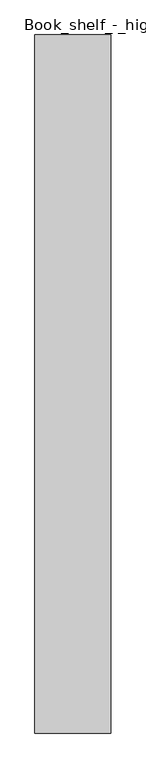
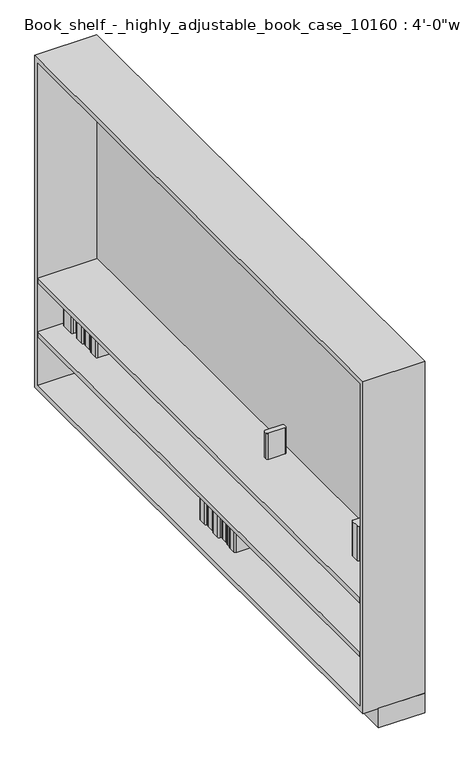
"""IFC4 building model written with IfcOpenShell, lengths in millimetres: furniture geometry."""

from ifc_helpers import new_model, si_unit, point, frame, frame_2d, origin, origin_with_axes, place, context, project, spatial, polyline, circle_curve, trimmed, segment, composite_curve, outline, extrude, source, transform, mapped, element, save


def furniture_b8f84b09(model_context):
    return source(origin(), model_context, "Body", "SweptSolid", [
        extrude(outline(composite_curve([segment(polyline([(-174.9979766, 273.5343096), (-174.9979766, 313.4842776)]), True, "CONTINUOUS"), segment(trimmed(circle_curve(frame_2d((-168.6479766, 313.4842776)), 6.35), [point((-174.9979766, 313.4842776))], [point((-168.6479766, 319.8342776))], False, "CARTESIAN"), True, "CONTINUOUS"), segment(polyline([(-168.6479766, 319.8342776), (-44.45, 319.8342776)]), True, "CONTINUOUS"), segment(trimmed(circle_curve(frame_2d((-44.45, 313.4842776)), 6.35), [point((-44.45, 319.8342776))], [point((-38.1, 313.4842776))], False, "CARTESIAN"), True, "CONTINUOUS"), segment(polyline([(-38.1, 313.4842776), (-38.1, 273.5343096)]), True, "CONTINUOUS"), segment(trimmed(circle_curve(frame_2d((-44.45, 273.5343096)), 6.35), [point((-38.1, 273.5343096))], [point((-44.45, 267.1843096))], False, "CARTESIAN"), True, "CONTINUOUS"), segment(polyline([(-44.45, 267.1843096), (-168.6479766, 267.1843096)]), True, "CONTINUOUS"), segment(trimmed(circle_curve(frame_2d((-168.6479766, 273.5343096)), 6.35), [point((-168.6479766, 267.1843096))], [point((-174.9979766, 273.5343096))], False, "CARTESIAN"), True, "CONTINUOUS")], self_intersect=False)), frame((0.0, 0.0, 685.8), z_axis=(0.0, 0.0, 1.0), x_axis=(1.0, 0.0, 0.0)), (0.0, 0.0, 1.0), 181.3914823),
        extrude(outline(composite_curve([segment(polyline([(-134.504595, 1121.0843096), (-134.504595, 1133.7843096)]), True, "CONTINUOUS"), segment(trimmed(circle_curve(frame_2d((-128.154595, 1133.7843096)), 6.35), [point((-134.504595, 1133.7843096))], [point((-128.154595, 1140.1343096))], False, "CARTESIAN"), True, "CONTINUOUS"), segment(polyline([(-128.154595, 1140.1343096), (-44.45, 1140.1343096)]), True, "CONTINUOUS"), segment(trimmed(circle_curve(frame_2d((-44.45, 1133.7843096)), 6.35), [point((-44.45, 1140.1343096))], [point((-38.1, 1133.7843096))], False, "CARTESIAN"), True, "CONTINUOUS"), segment(polyline([(-38.1, 1133.7843096), (-38.1, 1121.0843096)]), True, "CONTINUOUS"), segment(trimmed(circle_curve(frame_2d((-44.45, 1121.0843096)), 6.35), [point((-38.1, 1121.0843096))], [point((-44.45, 1114.7343096))], False, "CARTESIAN"), True, "CONTINUOUS"), segment(polyline([(-44.45, 1114.7343096), (-128.154595, 1114.7343096)]), True, "CONTINUOUS"), segment(trimmed(circle_curve(frame_2d((-128.154595, 1121.0843096)), 6.35), [point((-128.154595, 1114.7343096))], [point((-134.504595, 1121.0843096))], False, "CARTESIAN"), True, "CONTINUOUS")], self_intersect=False)), frame((0.0, 0.0, 685.8), z_axis=(0.0, 0.0, 1.0), x_axis=(1.0, 0.0, 0.0)), (0.0, 0.0, 1.0), 135.8183694),
        extrude(outline(composite_curve([segment(polyline([(-174.9979766, 154.4873472), (-174.9979766, 194.4373151)]), True, "CONTINUOUS"), segment(trimmed(circle_curve(frame_2d((-168.6479766, 194.4373151)), 6.35), [point((-174.9979766, 194.4373151))], [point((-168.6479766, 200.7873151))], False, "CARTESIAN"), True, "CONTINUOUS"), segment(polyline([(-168.6479766, 200.7873151), (-44.45, 200.7873151)]), True, "CONTINUOUS"), segment(trimmed(circle_curve(frame_2d((-44.45, 194.4373151)), 6.35), [point((-44.45, 200.7873151))], [point((-38.1, 194.4373151))], False, "CARTESIAN"), True, "CONTINUOUS"), segment(polyline([(-38.1, 194.4373151), (-38.1, 154.4873472)]), True, "CONTINUOUS"), segment(trimmed(circle_curve(frame_2d((-44.45, 154.4873472)), 6.35), [point((-38.1, 154.4873472))], [point((-44.45, 148.1373472))], False, "CARTESIAN"), True, "CONTINUOUS"), segment(polyline([(-44.45, 148.1373472), (-168.6479766, 148.1373472)]), True, "CONTINUOUS"), segment(trimmed(circle_curve(frame_2d((-168.6479766, 154.4873472)), 6.35), [point((-168.6479766, 148.1373472))], [point((-174.9979766, 154.4873472))], False, "CARTESIAN"), True, "CONTINUOUS")], self_intersect=False)), frame((0.0, 0.0, 685.8), z_axis=(0.0, 0.0, 1.0), x_axis=(1.0, 0.0, 0.0)), (0.0, 0.0, 1.0), 181.3914823),
        extrude(outline(composite_curve([segment(polyline([(-148.9022418, 213.6855624), (-148.9022418, 254.1898725)]), True, "CONTINUOUS"), segment(trimmed(circle_curve(frame_2d((-142.5522418, 254.1898725)), 6.35), [point((-148.9022418, 254.1898725))], [point((-142.5522418, 260.5398725))], False, "CARTESIAN"), True, "CONTINUOUS"), segment(polyline([(-142.5522418, 260.5398725), (-44.45, 260.5398725)]), True, "CONTINUOUS"), segment(trimmed(circle_curve(frame_2d((-44.45, 254.1898725)), 6.35), [point((-44.45, 260.5398725))], [point((-38.1, 254.1898725))], False, "CARTESIAN"), True, "CONTINUOUS"), segment(polyline([(-38.1, 254.1898725), (-38.1, 213.6855624)]), True, "CONTINUOUS"), segment(trimmed(circle_curve(frame_2d((-44.45, 213.6855624)), 6.35), [point((-38.1, 213.6855624))], [point((-44.45, 207.3355624))], False, "CARTESIAN"), True, "CONTINUOUS"), segment(polyline([(-44.45, 207.3355624), (-142.5522418, 207.3355624)]), True, "CONTINUOUS"), segment(trimmed(circle_curve(frame_2d((-142.5522418, 213.6855624)), 6.35), [point((-142.5522418, 207.3355624))], [point((-148.9022418, 213.6855624))], False, "CARTESIAN"), True, "CONTINUOUS")], self_intersect=False)), frame((0.0, 0.0, 685.8), z_axis=(0.0, 0.0, 1.0), x_axis=(1.0, 0.0, 0.0)), (0.0, 0.0, 1.0), 163.8466778),
        extrude(outline(composite_curve([segment(polyline([(-155.6511388, 44.45), (-155.6511388, 48.7119243)]), True, "CONTINUOUS"), segment(trimmed(circle_curve(frame_2d((-149.3011388, 48.7119243)), 6.35), [point((-155.6511388, 48.7119243))], [point((-149.3011388, 55.0619243))], False, "CARTESIAN"), True, "CONTINUOUS"), segment(polyline([(-149.3011388, 55.0619243), (-44.45, 55.0619243)]), True, "CONTINUOUS"), segment(trimmed(circle_curve(frame_2d((-44.45, 48.7119243)), 6.35), [point((-44.45, 55.0619243))], [point((-38.1, 48.7119243))], False, "CARTESIAN"), True, "CONTINUOUS"), segment(polyline([(-38.1, 48.7119243), (-38.1, 44.45)]), True, "CONTINUOUS"), segment(trimmed(circle_curve(frame_2d((-44.45, 44.45)), 6.35), [point((-38.1, 44.45))], [point((-44.45, 38.1))], False, "CARTESIAN"), True, "CONTINUOUS"), segment(polyline([(-44.45, 38.1), (-149.3011388, 38.1)]), True, "CONTINUOUS"), segment(trimmed(circle_curve(frame_2d((-149.3011388, 44.45)), 6.35), [point((-149.3011388, 38.1))], [point((-155.6511388, 44.45))], False, "CARTESIAN"), True, "CONTINUOUS")], self_intersect=False)), frame((0.0, 0.0, 685.8), z_axis=(0.0, 0.0, 1.0), x_axis=(1.0, 0.0, 0.0)), (0.0, 0.0, 1.0), 166.2690481),
        extrude(outline(composite_curve([segment(polyline([(-191.8289872, 93.2744988), (-191.8289872, 133.2244668)]), True, "CONTINUOUS"), segment(trimmed(circle_curve(frame_2d((-185.4789872, 133.2244668)), 6.35), [point((-191.8289872, 133.2244668))], [point((-185.4789872, 139.5744668))], False, "CARTESIAN"), True, "CONTINUOUS"), segment(polyline([(-185.4789872, 139.5744668), (-44.45, 139.5744668)]), True, "CONTINUOUS"), segment(trimmed(circle_curve(frame_2d((-44.45, 133.2244668)), 6.35), [point((-44.45, 139.5744668))], [point((-38.1, 133.2244668))], False, "CARTESIAN"), True, "CONTINUOUS"), segment(polyline([(-38.1, 133.2244668), (-38.1, 93.2744988)]), True, "CONTINUOUS"), segment(trimmed(circle_curve(frame_2d((-44.45, 93.2744988)), 6.35), [point((-38.1, 93.2744988))], [point((-44.45, 86.9244988))], False, "CARTESIAN"), True, "CONTINUOUS"), segment(polyline([(-44.45, 86.9244988), (-185.4789872, 86.9244988)]), True, "CONTINUOUS"), segment(trimmed(circle_curve(frame_2d((-185.4789872, 93.2744988)), 6.35), [point((-185.4789872, 86.9244988))], [point((-191.8289872, 93.2744988))], False, "CARTESIAN"), True, "CONTINUOUS")], self_intersect=False)), frame((0.0, 0.0, 685.8), z_axis=(0.0, 0.0, 1.0), x_axis=(1.0, 0.0, 0.0)), (0.0, 0.0, 1.0), 148.7566688),
        extrude(outline(composite_curve([segment(polyline([(-177.3825869, 67.874514), (-177.3825869, 75.2798723)]), True, "CONTINUOUS"), segment(trimmed(circle_curve(frame_2d((-171.0325869, 75.2798723)), 6.35), [point((-177.3825869, 75.2798723))], [point((-171.0325869, 81.6298723))], False, "CARTESIAN"), True, "CONTINUOUS"), segment(polyline([(-171.0325869, 81.6298723), (-44.45, 81.6298723)]), True, "CONTINUOUS"), segment(trimmed(circle_curve(frame_2d((-44.45, 75.2798723)), 6.35), [point((-44.45, 81.6298723))], [point((-38.1, 75.2798723))], False, "CARTESIAN"), True, "CONTINUOUS"), segment(polyline([(-38.1, 75.2798723), (-38.1, 67.874514)]), True, "CONTINUOUS"), segment(trimmed(circle_curve(frame_2d((-44.45, 67.874514)), 6.35), [point((-38.1, 67.874514))], [point((-44.45, 61.524514))], False, "CARTESIAN"), True, "CONTINUOUS"), segment(polyline([(-44.45, 61.524514), (-171.0325869, 61.524514)]), True, "CONTINUOUS"), segment(trimmed(circle_curve(frame_2d((-171.0325869, 67.874514)), 6.35), [point((-171.0325869, 61.524514))], [point((-177.3825869, 67.874514))], False, "CARTESIAN"), True, "CONTINUOUS")], self_intersect=False)), frame((0.0, 0.0, 685.8), z_axis=(0.0, 0.0, 1.0), x_axis=(1.0, 0.0, 0.0)), (0.0, 0.0, 1.0), 151.8618711),
        extrude(outline(polyline([(0.0, 2774.6), (0.0, 25.4), (-304.8, 25.4), (-304.8, 2774.6), (0.0, 2774.6)])), frame((0.0, 0.0, 660.4), z_axis=(0.0, 0.0, 1.0), x_axis=(1.0, 0.0, 0.0)), (0.0, 0.0, 1.0), 25.4),
        extrude(outline(composite_curve([segment(polyline([(-181.0020996, 119.7389676), (-181.0020996, 160.2432777)]), True, "CONTINUOUS"), segment(trimmed(circle_curve(frame_2d((-174.6520996, 160.2432777)), 6.35), [point((-181.0020996, 160.2432777))], [point((-174.6520996, 166.5932777))], False, "CARTESIAN"), True, "CONTINUOUS"), segment(polyline([(-174.6520996, 166.5932777), (-44.45, 166.5932777)]), True, "CONTINUOUS"), segment(trimmed(circle_curve(frame_2d((-44.45, 160.2432777)), 6.35), [point((-44.45, 166.5932777))], [point((-38.1, 160.2432777))], False, "CARTESIAN"), True, "CONTINUOUS"), segment(polyline([(-38.1, 160.2432777), (-38.1, 119.7389676)]), True, "CONTINUOUS"), segment(trimmed(circle_curve(frame_2d((-44.45, 119.7389676)), 6.35), [point((-38.1, 119.7389676))], [point((-44.45, 113.3889676))], False, "CARTESIAN"), True, "CONTINUOUS"), segment(polyline([(-44.45, 113.3889676), (-174.6520996, 113.3889676)]), True, "CONTINUOUS"), segment(trimmed(circle_curve(frame_2d((-174.6520996, 119.7389676)), 6.35), [point((-174.6520996, 113.3889676))], [point((-181.0020996, 119.7389676))], False, "CARTESIAN"), True, "CONTINUOUS")], self_intersect=False)), frame((0.0, 0.0, 406.4), z_axis=(0.0, 0.0, 1.0), x_axis=(1.0, 0.0, 0.0)), (0.0, 0.0, 1.0), 163.8466778),
        extrude(outline(composite_curve([segment(polyline([(-187.30107, 2605.1650696), (-187.30107, 2645.1150375)]), True, "CONTINUOUS"), segment(trimmed(circle_curve(frame_2d((-180.95107, 2645.1150375)), 6.35), [point((-187.30107, 2645.1150375))], [point((-180.95107, 2651.4650375))], False, "CARTESIAN"), True, "CONTINUOUS"), segment(polyline([(-180.95107, 2651.4650375), (-44.45, 2651.4650375)]), True, "CONTINUOUS"), segment(trimmed(circle_curve(frame_2d((-44.45, 2645.1150375)), 6.35), [point((-44.45, 2651.4650375))], [point((-38.1, 2645.1150375))], False, "CARTESIAN"), True, "CONTINUOUS"), segment(polyline([(-38.1, 2645.1150375), (-38.1, 2605.1650696)]), True, "CONTINUOUS"), segment(trimmed(circle_curve(frame_2d((-44.45, 2605.1650696)), 6.35), [point((-38.1, 2605.1650696))], [point((-44.45, 2598.8150696))], False, "CARTESIAN"), True, "CONTINUOUS"), segment(polyline([(-44.45, 2598.8150696), (-180.95107, 2598.8150696)]), True, "CONTINUOUS"), segment(trimmed(circle_curve(frame_2d((-180.95107, 2605.1650696)), 6.35), [point((-180.95107, 2598.8150696))], [point((-187.30107, 2605.1650696))], False, "CARTESIAN"), True, "CONTINUOUS")], self_intersect=False)), frame((0.0, 0.0, 406.4), z_axis=(0.0, 0.0, 1.0), x_axis=(1.0, 0.0, 0.0)), (0.0, 0.0, 1.0), 181.3914823),
        extrude(outline(composite_curve([segment(polyline([(-186.4012171, 44.45), (-186.4012171, 53.326397)]), True, "CONTINUOUS"), segment(trimmed(circle_curve(frame_2d((-180.0512171, 53.326397)), 6.35), [point((-186.4012171, 53.326397))], [point((-180.0512171, 59.676397))], False, "CARTESIAN"), True, "CONTINUOUS"), segment(polyline([(-180.0512171, 59.676397), (-44.45, 59.676397)]), True, "CONTINUOUS"), segment(trimmed(circle_curve(frame_2d((-44.45, 53.326397)), 6.35), [point((-44.45, 59.676397))], [point((-38.1, 53.326397))], False, "CARTESIAN"), True, "CONTINUOUS"), segment(polyline([(-38.1, 53.326397), (-38.1, 44.45)]), True, "CONTINUOUS"), segment(trimmed(circle_curve(frame_2d((-44.45, 44.45)), 6.35), [point((-38.1, 44.45))], [point((-44.45, 38.1))], False, "CARTESIAN"), True, "CONTINUOUS"), segment(polyline([(-44.45, 38.1), (-180.0512171, 38.1)]), True, "CONTINUOUS"), segment(trimmed(circle_curve(frame_2d((-180.0512171, 44.45)), 6.35), [point((-180.0512171, 38.1))], [point((-186.4012171, 44.45))], False, "CARTESIAN"), True, "CONTINUOUS")], self_intersect=False)), frame((0.0, 0.0, 406.4), z_axis=(0.0, 0.0, 1.0), x_axis=(1.0, 0.0, 0.0)), (0.0, 0.0, 1.0), 209.55),
        extrude(outline(composite_curve([segment(polyline([(-189.1007759, 68.366525), (-189.1007759, 102.4979527)]), True, "CONTINUOUS"), segment(trimmed(circle_curve(frame_2d((-182.7507759, 102.4979527)), 6.35), [point((-189.1007759, 102.4979527))], [point((-182.7507759, 108.8479527))], False, "CARTESIAN"), True, "CONTINUOUS"), segment(polyline([(-182.7507759, 108.8479527), (-44.45, 108.8479527)]), True, "CONTINUOUS"), segment(trimmed(circle_curve(frame_2d((-44.45, 102.4979527)), 6.35), [point((-44.45, 108.8479527))], [point((-38.1, 102.4979527))], False, "CARTESIAN"), True, "CONTINUOUS"), segment(polyline([(-38.1, 102.4979527), (-38.1, 68.366525)]), True, "CONTINUOUS"), segment(trimmed(circle_curve(frame_2d((-44.45, 68.366525)), 6.35), [point((-38.1, 68.366525))], [point((-44.45, 62.016525))], False, "CARTESIAN"), True, "CONTINUOUS"), segment(polyline([(-44.45, 62.016525), (-182.7507759, 62.016525)]), True, "CONTINUOUS"), segment(trimmed(circle_curve(frame_2d((-182.7507759, 68.366525)), 6.35), [point((-182.7507759, 62.016525))], [point((-189.1007759, 68.366525))], False, "CARTESIAN"), True, "CONTINUOUS")], self_intersect=False)), frame((0.0, 0.0, 406.4), z_axis=(0.0, 0.0, 1.0), x_axis=(1.0, 0.0, 0.0)), (0.0, 0.0, 1.0), 193.2682698),
        extrude(outline(composite_curve([segment(polyline([(-172.0035703, 2661.3075348), (-172.0035703, 2674.0075348)]), True, "CONTINUOUS"), segment(trimmed(circle_curve(frame_2d((-165.6535703, 2674.0075348)), 6.35), [point((-172.0035703, 2674.0075348))], [point((-165.6535703, 2680.3575348))], False, "CARTESIAN"), True, "CONTINUOUS"), segment(polyline([(-165.6535703, 2680.3575348), (-44.45, 2680.3575348)]), True, "CONTINUOUS"), segment(trimmed(circle_curve(frame_2d((-44.45, 2674.0075348)), 6.35), [point((-44.45, 2680.3575348))], [point((-38.1, 2674.0075348))], False, "CARTESIAN"), True, "CONTINUOUS"), segment(polyline([(-38.1, 2674.0075348), (-38.1, 2661.3075348)]), True, "CONTINUOUS"), segment(trimmed(circle_curve(frame_2d((-44.45, 2661.3075348)), 6.35), [point((-38.1, 2661.3075348))], [point((-44.45, 2654.9575348))], False, "CARTESIAN"), True, "CONTINUOUS"), segment(polyline([(-44.45, 2654.9575348), (-165.6535703, 2654.9575348)]), True, "CONTINUOUS"), segment(trimmed(circle_curve(frame_2d((-165.6535703, 2661.3075348)), 6.35), [point((-165.6535703, 2654.9575348))], [point((-172.0035703, 2661.3075348))], False, "CARTESIAN"), True, "CONTINUOUS")], self_intersect=False)), frame((0.0, 0.0, 406.4), z_axis=(0.0, 0.0, 1.0), x_axis=(1.0, 0.0, 0.0)), (0.0, 0.0, 1.0), 135.8183694),
        extrude(outline(composite_curve([segment(polyline([(-188.4046355, 2693.8512848), (-188.4046355, 2755.55)]), True, "CONTINUOUS"), segment(trimmed(circle_curve(frame_2d((-182.0546355, 2755.55)), 6.35), [point((-188.4046355, 2755.55))], [point((-182.0546355, 2761.9))], False, "CARTESIAN"), True, "CONTINUOUS"), segment(polyline([(-182.0546355, 2761.9), (-44.45, 2761.9)]), True, "CONTINUOUS"), segment(trimmed(circle_curve(frame_2d((-44.45, 2755.55)), 6.35), [point((-44.45, 2761.9))], [point((-38.1, 2755.55))], False, "CARTESIAN"), True, "CONTINUOUS"), segment(polyline([(-38.1, 2755.55), (-38.1, 2693.8512848)]), True, "CONTINUOUS"), segment(trimmed(circle_curve(frame_2d((-44.45, 2693.8512848)), 6.35), [point((-38.1, 2693.8512848))], [point((-44.45, 2687.5012848))], False, "CARTESIAN"), True, "CONTINUOUS"), segment(polyline([(-44.45, 2687.5012848), (-182.0546355, 2687.5012848)]), True, "CONTINUOUS"), segment(trimmed(circle_curve(frame_2d((-182.0546355, 2693.8512848)), 6.35), [point((-182.0546355, 2687.5012848))], [point((-188.4046355, 2693.8512848))], False, "CARTESIAN"), True, "CONTINUOUS")], self_intersect=False)), frame((0.0, 0.0, 406.4), z_axis=(0.0, 0.0, 1.0), x_axis=(1.0, 0.0, 0.0)), (0.0, 0.0, 1.0), 163.8466778),
        extrude(outline(composite_curve([segment(polyline([(-187.30107, 2484.5150696), (-187.30107, 2524.4650375)]), True, "CONTINUOUS"), segment(trimmed(circle_curve(frame_2d((-180.95107, 2524.4650375)), 6.35), [point((-187.30107, 2524.4650375))], [point((-180.95107, 2530.8150375))], False, "CARTESIAN"), True, "CONTINUOUS"), segment(polyline([(-180.95107, 2530.8150375), (-44.45, 2530.8150375)]), True, "CONTINUOUS"), segment(trimmed(circle_curve(frame_2d((-44.45, 2524.4650375)), 6.35), [point((-44.45, 2530.8150375))], [point((-38.1, 2524.4650375))], False, "CARTESIAN"), True, "CONTINUOUS"), segment(polyline([(-38.1, 2524.4650375), (-38.1, 2484.5150696)]), True, "CONTINUOUS"), segment(trimmed(circle_curve(frame_2d((-44.45, 2484.5150696)), 6.35), [point((-38.1, 2484.5150696))], [point((-44.45, 2478.1650696))], False, "CARTESIAN"), True, "CONTINUOUS"), segment(polyline([(-44.45, 2478.1650696), (-180.95107, 2478.1650696)]), True, "CONTINUOUS"), segment(trimmed(circle_curve(frame_2d((-180.95107, 2484.5150696)), 6.35), [point((-180.95107, 2478.1650696))], [point((-187.30107, 2484.5150696))], False, "CARTESIAN"), True, "CONTINUOUS")], self_intersect=False)), frame((0.0, 0.0, 406.4), z_axis=(0.0, 0.0, 1.0), x_axis=(1.0, 0.0, 0.0)), (0.0, 0.0, 1.0), 181.3914823),
        extrude(outline(composite_curve([segment(polyline([(-181.0020996, 2545.4125122), (-181.0020996, 2585.9168223)]), True, "CONTINUOUS"), segment(trimmed(circle_curve(frame_2d((-174.6520996, 2585.9168223)), 6.35), [point((-181.0020996, 2585.9168223))], [point((-174.6520996, 2592.2668223))], False, "CARTESIAN"), True, "CONTINUOUS"), segment(polyline([(-174.6520996, 2592.2668223), (-44.45, 2592.2668223)]), True, "CONTINUOUS"), segment(trimmed(circle_curve(frame_2d((-44.45, 2585.9168223)), 6.35), [point((-44.45, 2592.2668223))], [point((-38.1, 2585.9168223))], False, "CARTESIAN"), True, "CONTINUOUS"), segment(polyline([(-38.1, 2585.9168223), (-38.1, 2545.4125122)]), True, "CONTINUOUS"), segment(trimmed(circle_curve(frame_2d((-44.45, 2545.4125122)), 6.35), [point((-38.1, 2545.4125122))], [point((-44.45, 2539.0625122))], False, "CARTESIAN"), True, "CONTINUOUS"), segment(polyline([(-44.45, 2539.0625122), (-174.6520996, 2539.0625122)]), True, "CONTINUOUS"), segment(trimmed(circle_curve(frame_2d((-174.6520996, 2545.4125122)), 6.35), [point((-174.6520996, 2539.0625122))], [point((-181.0020996, 2545.4125122))], False, "CARTESIAN"), True, "CONTINUOUS")], self_intersect=False)), frame((0.0, 0.0, 406.4), z_axis=(0.0, 0.0, 1.0), x_axis=(1.0, 0.0, 0.0)), (0.0, 0.0, 1.0), 163.8466778),
        extrude(outline(polyline([(0.0, 2774.6), (0.0, 25.4), (-304.8, 25.4), (-304.8, 2774.6), (0.0, 2774.6)])), frame((0.0, 0.0, 381.0), z_axis=(0.0, 0.0, 1.0), x_axis=(1.0, 0.0, 0.0)), (0.0, 0.0, 1.0), 25.4),
        extrude(outline(polyline([(0.0, 2774.6), (0.0, 25.4000152), (-12.7, 25.4000152), (-12.7, 2774.6), (0.0, 2774.6)])), frame((0.0, 0.0, 127.0), z_axis=(0.0, 0.0, 1.0), x_axis=(1.0, 0.0, 0.0)), (0.0, 0.0, 1.0), 1676.2908752),
        extrude(outline(composite_curve([segment(polyline([(-199.9401921, 1282.525), (-199.9401921, 1318.1784631)]), True, "CONTINUOUS"), segment(trimmed(circle_curve(frame_2d((-193.5901921, 1318.1784631)), 6.35), [point((-199.9401921, 1318.1784631))], [point((-193.5901921, 1324.5284631))], False, "CARTESIAN"), True, "CONTINUOUS"), segment(polyline([(-193.5901921, 1324.5284631), (-94.5880974, 1324.5284631)]), True, "CONTINUOUS"), segment(trimmed(circle_curve(frame_2d((-94.5880974, 1318.1784631)), 6.35), [point((-94.5880974, 1324.5284631))], [point((-88.2380974, 1318.1784631))], False, "CARTESIAN"), True, "CONTINUOUS"), segment(polyline([(-88.2380974, 1318.1784631), (-88.2380974, 1282.525)]), True, "CONTINUOUS"), segment(trimmed(circle_curve(frame_2d((-94.5880974, 1282.525)), 6.35), [point((-88.2380974, 1282.525))], [point((-94.5880974, 1276.175))], False, "CARTESIAN"), True, "CONTINUOUS"), segment(polyline([(-94.5880974, 1276.175), (-193.5901921, 1276.175)]), True, "CONTINUOUS"), segment(trimmed(circle_curve(frame_2d((-193.5901921, 1282.525)), 6.35), [point((-193.5901921, 1276.175))], [point((-199.9401921, 1282.525))], False, "CARTESIAN"), True, "CONTINUOUS")], self_intersect=False)), frame((0.0, 0.0, 127.0), z_axis=(0.0, 0.0, 1.0), x_axis=(1.0, 0.0, 0.0)), (0.0, 0.0, 1.0), 151.8506516),
        extrude(outline(composite_curve([segment(polyline([(-197.4245661, 1338.9854527), (-197.4245661, 1343.2473771)]), True, "CONTINUOUS"), segment(trimmed(circle_curve(frame_2d((-191.0745661, 1343.2473771)), 6.35), [point((-197.4245661, 1343.2473771))], [point((-191.0745661, 1349.5973771))], False, "CARTESIAN"), True, "CONTINUOUS"), segment(polyline([(-191.0745661, 1349.5973771), (-86.2234274, 1349.5973771)]), True, "CONTINUOUS"), segment(trimmed(circle_curve(frame_2d((-86.2234274, 1343.2473771)), 6.35), [point((-86.2234274, 1349.5973771))], [point((-79.8734274, 1343.2473771))], False, "CARTESIAN"), True, "CONTINUOUS"), segment(polyline([(-79.8734274, 1343.2473771), (-79.8734274, 1338.9854527)]), True, "CONTINUOUS"), segment(trimmed(circle_curve(frame_2d((-86.2234274, 1338.9854527)), 6.35), [point((-79.8734274, 1338.9854527))], [point((-86.2234274, 1332.6354527))], False, "CARTESIAN"), True, "CONTINUOUS"), segment(polyline([(-86.2234274, 1332.6354527), (-191.0745661, 1332.6354527)]), True, "CONTINUOUS"), segment(trimmed(circle_curve(frame_2d((-191.0745661, 1338.9854527)), 6.35), [point((-191.0745661, 1332.6354527))], [point((-197.4245661, 1338.9854527))], False, "CARTESIAN"), True, "CONTINUOUS")], self_intersect=False)), frame((0.0, 0.0, 127.0), z_axis=(0.0, 0.0, 1.0), x_axis=(1.0, 0.0, 0.0)), (0.0, 0.0, 1.0), 166.2690481),
        extrude(outline(composite_curve([segment(polyline([(-205.6861592, 60.325), (-205.6861592, 100.274968)]), True, "CONTINUOUS"), segment(trimmed(circle_curve(frame_2d((-199.3361592, 100.274968)), 6.35), [point((-205.6861592, 100.274968))], [point((-199.3361592, 106.624968))], False, "CARTESIAN"), True, "CONTINUOUS"), segment(polyline([(-199.3361592, 106.624968), (-58.307172, 106.624968)]), True, "CONTINUOUS"), segment(trimmed(circle_curve(frame_2d((-58.307172, 100.274968)), 6.35), [point((-58.307172, 106.624968))], [point((-51.957172, 100.274968))], False, "CARTESIAN"), True, "CONTINUOUS"), segment(polyline([(-51.957172, 100.274968), (-51.957172, 60.325)]), True, "CONTINUOUS"), segment(trimmed(circle_curve(frame_2d((-58.307172, 60.325)), 6.35), [point((-51.957172, 60.325))], [point((-58.307172, 53.975))], False, "CARTESIAN"), True, "CONTINUOUS"), segment(polyline([(-58.307172, 53.975), (-199.3361592, 53.975)]), True, "CONTINUOUS"), segment(trimmed(circle_curve(frame_2d((-199.3361592, 60.325)), 6.35), [point((-199.3361592, 53.975))], [point((-205.6861592, 60.325))], False, "CARTESIAN"), True, "CONTINUOUS")], self_intersect=False)), frame((0.0, 0.0, 127.0), z_axis=(0.0, 0.0, 1.0), x_axis=(1.0, 0.0, 0.0)), (0.0, 0.0, 1.0), 148.7566688),
        extrude(outline(composite_curve([segment(polyline([(-201.5638896, 34.9250152), (-201.5638896, 42.3303734)]), True, "CONTINUOUS"), segment(trimmed(circle_curve(frame_2d((-195.2138896, 42.3303734)), 6.35), [point((-201.5638896, 42.3303734))], [point((-195.2138896, 48.6803734))], False, "CARTESIAN"), True, "CONTINUOUS"), segment(polyline([(-195.2138896, 48.6803734), (-68.6313027, 48.6803734)]), True, "CONTINUOUS"), segment(trimmed(circle_curve(frame_2d((-68.6313027, 42.3303734)), 6.35), [point((-68.6313027, 48.6803734))], [point((-62.2813027, 42.3303734))], False, "CARTESIAN"), True, "CONTINUOUS"), segment(polyline([(-62.2813027, 42.3303734), (-62.2813027, 34.9250152)]), True, "CONTINUOUS"), segment(trimmed(circle_curve(frame_2d((-68.6313027, 34.9250152)), 6.35), [point((-62.2813027, 34.9250152))], [point((-68.6313027, 28.5750152))], False, "CARTESIAN"), True, "CONTINUOUS"), segment(polyline([(-68.6313027, 28.5750152), (-195.2138896, 28.5750152)]), True, "CONTINUOUS"), segment(trimmed(circle_curve(frame_2d((-195.2138896, 34.9250152)), 6.35), [point((-195.2138896, 28.5750152))], [point((-201.5638896, 34.9250152))], False, "CARTESIAN"), True, "CONTINUOUS")], self_intersect=False)), frame((0.0, 0.0, 127.0), z_axis=(0.0, 0.0, 1.0), x_axis=(1.0, 0.0, 0.0)), (0.0, 0.0, 1.0), 151.8618711),
        extrude(outline(polyline([(0.0, 2800.0), (0.0, 0.0), (-228.6, 0.0), (-228.6, 2800.0), (0.0, 2800.0)])), origin_with_axes(), (0.0, 0.0, 1.0), 101.6),
        extrude(outline(composite_curve([segment(polyline([(-192.7413687, 1361.9), (-192.7413687, 1393.65)]), True, "CONTINUOUS"), segment(trimmed(circle_curve(frame_2d((-186.3913687, 1393.65)), 6.35), [point((-192.7413687, 1393.65))], [point((-186.3913687, 1400.0))], False, "CARTESIAN"), True, "CONTINUOUS"), segment(polyline([(-186.3913687, 1400.0), (-53.1948629, 1400.0)]), True, "CONTINUOUS"), segment(trimmed(circle_curve(frame_2d((-53.1948629, 1393.65)), 6.35), [point((-53.1948629, 1400.0))], [point((-46.8448629, 1393.65))], False, "CARTESIAN"), True, "CONTINUOUS"), segment(polyline([(-46.8448629, 1393.65), (-46.8448629, 1361.9)]), True, "CONTINUOUS"), segment(trimmed(circle_curve(frame_2d((-53.1948629, 1361.9)), 6.35), [point((-46.8448629, 1361.9))], [point((-53.1948629, 1355.55))], False, "CARTESIAN"), True, "CONTINUOUS"), segment(polyline([(-53.1948629, 1355.55), (-186.3913687, 1355.55)]), True, "CONTINUOUS"), segment(trimmed(circle_curve(frame_2d((-186.3913687, 1361.9)), 6.35), [point((-186.3913687, 1355.55))], [point((-192.7413687, 1361.9))], False, "CARTESIAN"), True, "CONTINUOUS")], self_intersect=False)), frame((0.0, 0.0, 126.7310239), z_axis=(0.0, 0.0, 1.0), x_axis=(1.0, 0.0, 0.0)), (0.0, 0.0, 1.0), 170.2851068),
        extrude(outline(composite_curve([segment(polyline([(-199.9401921, 1466.675), (-199.9401921, 1502.3284631)]), True, "CONTINUOUS"), segment(trimmed(circle_curve(frame_2d((-193.5901921, 1502.3284631)), 6.35), [point((-199.9401921, 1502.3284631))], [point((-193.5901921, 1508.6784631))], False, "CARTESIAN"), True, "CONTINUOUS"), segment(polyline([(-193.5901921, 1508.6784631), (-94.5880974, 1508.6784631)]), True, "CONTINUOUS"), segment(trimmed(circle_curve(frame_2d((-94.5880974, 1502.3284631)), 6.35), [point((-94.5880974, 1508.6784631))], [point((-88.2380974, 1502.3284631))], False, "CARTESIAN"), True, "CONTINUOUS"), segment(polyline([(-88.2380974, 1502.3284631), (-88.2380974, 1466.675)]), True, "CONTINUOUS"), segment(trimmed(circle_curve(frame_2d((-94.5880974, 1466.675)), 6.35), [point((-88.2380974, 1466.675))], [point((-94.5880974, 1460.325))], False, "CARTESIAN"), True, "CONTINUOUS"), segment(polyline([(-94.5880974, 1460.325), (-193.5901921, 1460.325)]), True, "CONTINUOUS"), segment(trimmed(circle_curve(frame_2d((-193.5901921, 1466.675)), 6.35), [point((-193.5901921, 1460.325))], [point((-199.9401921, 1466.675))], False, "CARTESIAN"), True, "CONTINUOUS")], self_intersect=False)), frame((0.0, 0.0, 126.7310239), z_axis=(0.0, 0.0, 1.0), x_axis=(1.0, 0.0, 0.0)), (0.0, 0.0, 1.0), 151.8506516),
        extrude(outline(composite_curve([segment(polyline([(-205.6861592, 1521.975032), (-205.6861592, 1561.925)]), True, "CONTINUOUS"), segment(trimmed(circle_curve(frame_2d((-199.3361592, 1561.925)), 6.35), [point((-205.6861592, 1561.925))], [point((-199.3361592, 1568.275))], False, "CARTESIAN"), True, "CONTINUOUS"), segment(polyline([(-199.3361592, 1568.275), (-77.4908918, 1568.275)]), True, "CONTINUOUS"), segment(trimmed(circle_curve(frame_2d((-77.4908918, 1561.925)), 6.35), [point((-77.4908918, 1568.275))], [point((-71.1408918, 1561.925))], False, "CARTESIAN"), True, "CONTINUOUS"), segment(polyline([(-71.1408918, 1561.925), (-71.1408918, 1521.975032)]), True, "CONTINUOUS"), segment(trimmed(circle_curve(frame_2d((-77.4908918, 1521.975032)), 6.35), [point((-71.1408918, 1521.975032))], [point((-77.4908918, 1515.625032))], False, "CARTESIAN"), True, "CONTINUOUS"), segment(polyline([(-77.4908918, 1515.625032), (-199.3361592, 1515.625032)]), True, "CONTINUOUS"), segment(trimmed(circle_curve(frame_2d((-199.3361592, 1521.975032)), 6.35), [point((-199.3361592, 1515.625032))], [point((-205.6861592, 1521.975032))], False, "CARTESIAN"), True, "CONTINUOUS")], self_intersect=False)), frame((0.0, 0.0, 126.7310239), z_axis=(0.0, 0.0, 1.0), x_axis=(1.0, 0.0, 0.0)), (0.0, 0.0, 1.0), 157.0434797),
        extrude(outline(composite_curve([segment(polyline([(-205.6861592, 1410.850032), (-205.6861592, 1450.8)]), True, "CONTINUOUS"), segment(trimmed(circle_curve(frame_2d((-199.3361592, 1450.8)), 6.35), [point((-205.6861592, 1450.8))], [point((-199.3361592, 1457.15))], False, "CARTESIAN"), True, "CONTINUOUS"), segment(polyline([(-199.3361592, 1457.15), (-58.307172, 1457.15)]), True, "CONTINUOUS"), segment(trimmed(circle_curve(frame_2d((-58.307172, 1450.8)), 6.35), [point((-58.307172, 1457.15))], [point((-51.957172, 1450.8))], False, "CARTESIAN"), True, "CONTINUOUS"), segment(polyline([(-51.957172, 1450.8), (-51.957172, 1410.850032)]), True, "CONTINUOUS"), segment(trimmed(circle_curve(frame_2d((-58.307172, 1410.850032)), 6.35), [point((-51.957172, 1410.850032))], [point((-58.307172, 1404.500032))], False, "CARTESIAN"), True, "CONTINUOUS"), segment(polyline([(-58.307172, 1404.500032), (-199.3361592, 1404.500032)]), True, "CONTINUOUS"), segment(trimmed(circle_curve(frame_2d((-199.3361592, 1410.850032)), 6.35), [point((-199.3361592, 1404.500032))], [point((-205.6861592, 1410.850032))], False, "CARTESIAN"), True, "CONTINUOUS")], self_intersect=False)), frame((0.0, 0.0, 126.7310239), z_axis=(0.0, 0.0, 1.0), x_axis=(1.0, 0.0, 0.0)), (0.0, 0.0, 1.0), 177.2506516),
        extrude(outline(polyline([(0.0, 1828.8), (2800.0, 1828.8), (2800.0, 101.6), (0.0, 101.6), (0.0, 1828.8)]), holes=[polyline([(25.4000152, 1803.2908752), (25.4000152, 126.7310239), (2774.6, 126.7310239), (2774.6, 1803.2908752), (25.4000152, 1803.2908752)])]), frame((-304.8, 0.0, 0.0), z_axis=(1.0, 0.0, 0.0), x_axis=(0.0, 1.0, 0.0)), (0.0, 0.0, 1.0), 304.8),
    ])


if __name__ == "__main__":
    model = new_model("IFC4")
    model_context = context("Model", 3, world=origin())
    ifc_project = project(units=[si_unit("LENGTHUNIT", "METRE", prefix="MILLI")], contexts=[model_context])
    site = spatial("IfcSite", under=ifc_project)
    building = spatial("IfcBuilding", under=site)
    placement = place(None, origin())
    furniture_shape = furniture_b8f84b09(model_context)
    element("IfcFurniture", 1, ObjectType="Book_shelf_-_highly_adjustable_book_case_10160 : 4'-0\"w 6'-0\"h", at=placement, inside=building, context=model_context, shape_type="MappedRepresentation", body=[
        mapped(furniture_shape, transform((0.0, 0.0, 0.0), x_axis=(1.0, 0.0, 0.0), y_axis=(0.0, 1.0, 0.0), z_axis=(0.0, 0.0, 1.0))),
    ])
    save(model, "model.ifc")
